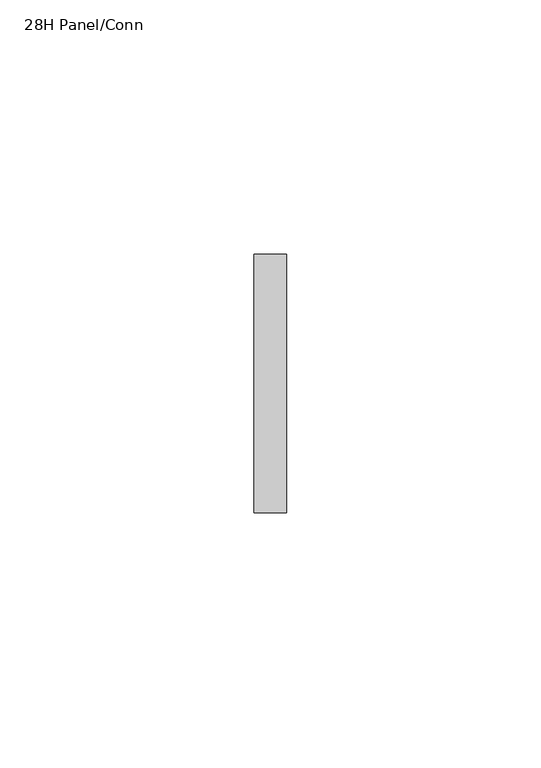
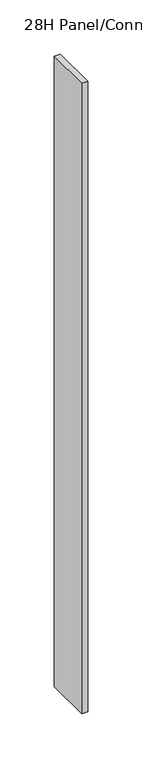
"""IFC4 building model written with IfcOpenShell, lengths in millimetres: furniture geometry, 28H Panel/Conn."""

from ifc_helpers import new_model, si_unit, frame, origin, place, context, project, spatial, polyline, outline, extrude, source, transform, mapped, element, save


def furniture_28h_panel_conn_3afddd7d(model_context):
    return source(origin(), model_context, "Body", "SweptSolid", [
        extrude(outline(polyline([(-60.5209988, 104.9709924), (-60.5209967, 54.1709916), (-66.8709967, 54.1709914), (-66.8709988, 104.9709922), (-60.5209988, 104.9709924)])), frame((0.0, 0.0, 644.5250008), z_axis=(0.0, 0.0, 1.0), x_axis=(1.0, 0.0, 0.0)), (0.0, 0.0, 1.0), 711.2),
    ])


if __name__ == "__main__":
    model = new_model("IFC4")
    model_context = context("Model", 3, world=origin())
    ifc_project = project(units=[si_unit("LENGTHUNIT", "METRE", prefix="MILLI")], contexts=[model_context])
    site = spatial("IfcSite", under=ifc_project)
    building = spatial("IfcBuilding", under=site)
    placement = place(None, origin())
    furniture_28h_panel_conn_shape = furniture_28h_panel_conn_3afddd7d(model_context)
    element("IfcFurniture", 1, ObjectType="28H Panel/Conn", at=placement, inside=building, context=model_context, shape_type="MappedRepresentation", body=[
        mapped(furniture_28h_panel_conn_shape, transform((0.0, 0.0, 0.0), x_axis=(1.0, 0.0, 0.0), y_axis=(0.0, 1.0, 0.0), z_axis=(0.0, 0.0, 1.0))),
    ])
    save(model, "model.ifc")
